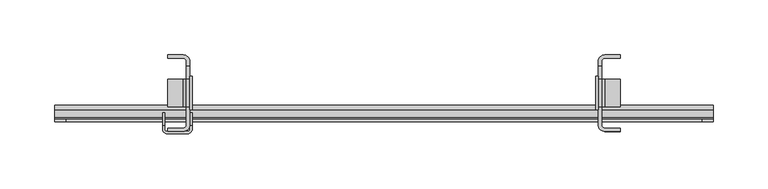
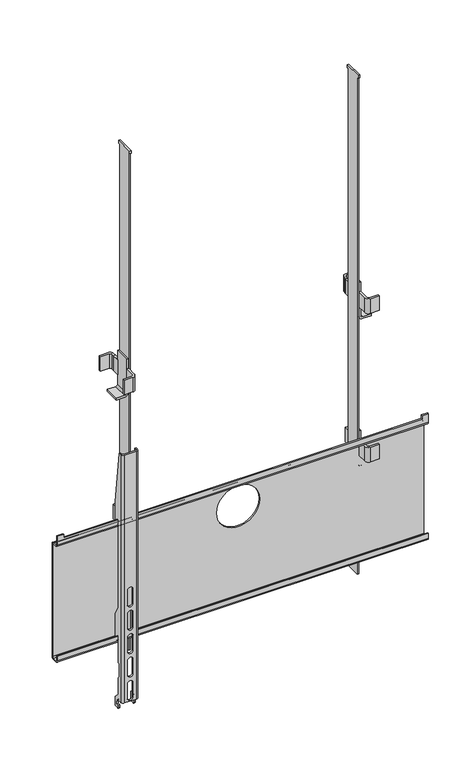
"""IFC4 building model written with IfcOpenShell, lengths in millimetres: furniture geometry."""

from ifc_helpers import new_model, si_unit, point, frame, frame_2d, origin, place, context, project, spatial, polyline, circle_curve, trimmed, segment, composite_curve, outline, extrude, source, transform, mapped, element, save
from ifc_brep_helpers import plane_surface, cylinder_surface, revolved_surface, advanced_brep


def furniture_ed0fb9b7(model_context):
    return source(origin(), model_context, "Body", "SolidModel", [
        advanced_brep(
        [(-188.4240729, -32.963622, 1415.6279085), (-190.424078, -34.9636271, 1415.6279085), (-209.4240856, -34.9636271, 1415.6279085), (-211.4240862, -32.9636266, 1415.6279085), (-211.4240862, -29.9636247, 1415.6279085), (-213.4240731, -29.9636247, 1415.6279085), (-213.4240731, -32.9636266, 1415.6279085), (-209.424072, -36.9636277, 1415.6279085), (-190.424078, -36.9636277, 1415.6279085), (-186.424086, -32.9636356, 1415.6279085), (-186.424086, -29.9636247, 1415.6279085), (-188.4240729, -29.9636247, 1415.6279085), (-213.4240731, -17.9636269, 977.3279177), (-211.4240862, -17.9636269, 977.3279177), (-211.4240862, -24.9636266, 977.3279177), (-213.4240731, -24.9636266, 977.3279177), (-188.4240729, -17.9636269, 977.3279177), (-186.424086, -17.9636269, 977.3279177), (-186.424086, -24.9636266, 977.3279177), (-188.4240729, -24.9636266, 977.3279177), (-186.424086, -32.9636356, 991.8279774), (-186.424086, -26.9636726, 991.8279774), (-186.424086, -22.963626, 987.8279308), (-186.424086, -22.963626, 983.3279148), (-186.424086, -26.9636272, 983.3279148), (-186.424086, -26.9636272, 979.3279182), (-186.424086, -17.9636269, 993.2278975), (-186.424086, -26.4636259, 1001.7278977), (-186.424086, -26.4636259, 1029.7697004), (-186.424086, -29.4636267, 1033.1510365), (-186.424086, -29.4636267, 1055.2279593), (-186.424086, -26.4636259, 1055.2279593), (-186.424086, -26.4636259, 1101.7279552), (-186.424086, -23.4636273, 1101.7279552), (-186.424086, -23.4636273, 1093.4779501), (-186.424086, -17.9636269, 1093.4779501), (-186.424086, -17.9636269, 1135.0055308), (-186.424086, -26.4636259, 1149.7279041), (-186.424086, -26.4636259, 1299.7278608), (-186.424086, -23.4636273, 1299.7278608), (-186.424086, -23.4636273, 1291.4779284), (-186.424086, -17.9636269, 1291.4779284), (-186.424086, -17.9636269, 1325.6279783), (-188.4240729, -17.9636269, 993.2278975), (-188.4240729, -17.9636269, 1093.4779501), (-188.4240729, -17.9636269, 1135.0055308), (-188.4240729, -17.9636269, 1291.4779284), (-188.4240729, -17.9636269, 1325.6279783), (-188.4240729, -23.4636273, 1291.4779284), (-188.4240729, -23.4636273, 1299.7278608), (-188.4240729, -26.4636259, 1299.7278608), (-188.4240729, -26.4636259, 1149.7279041), (-188.4240729, -23.4636273, 1093.4779501), (-188.4240729, -23.4636273, 1101.7279552), (-188.4240729, -26.4636259, 1101.7279552), (-188.4240729, -26.4636259, 1055.2279593), (-188.4240729, -29.4636267, 1055.2279593), (-188.4240729, -29.4636267, 1033.1510365), (-188.4240729, -26.4636259, 1029.7697004), (-188.4240729, -26.4636259, 1001.7278977), (-188.4240729, -26.9636272, 979.3279182), (-188.4240729, -26.9636272, 983.3279148), (-188.4240729, -22.963626, 983.3279148), (-188.4240729, -22.963626, 987.8279308), (-188.4240729, -26.9636726, 991.8279774), (-188.4240729, -32.963622, 991.8279774), (-190.424078, -34.9636271, 991.8279774), (-209.4240856, -34.9636271, 991.8279774), (-195.6740846, -34.9636271, 1157.4278984), (-195.6740846, -34.9636271, 1182.2279108), (-204.1740745, -34.9636271, 1182.2279108), (-204.1740745, -34.9636271, 1157.4278984), (-195.6740846, -34.9636271, 1117.4279417), (-195.6740846, -34.9636271, 1142.2279541), (-204.1740745, -34.9636271, 1142.2279541), (-204.1740745, -34.9636271, 1117.4279417), (-195.6740846, -34.9636271, 1077.4279123), (-195.6740846, -34.9636271, 1102.2279247), (-204.1740745, -34.9636271, 1102.2279247), (-204.1740745, -34.9636271, 1077.4279123), (-195.6740846, -34.9636271, 1037.427883), (-195.6740846, -34.9636271, 1062.2278954), (-204.1740745, -34.9636271, 1062.2278954), (-204.1740745, -34.9636271, 1037.427883), (-195.6740846, -34.9636271, 997.4279263), (-195.6740846, -34.9636271, 1022.2279387), (-204.1740745, -34.9636271, 1022.2279387), (-204.1740745, -34.9636271, 997.4279263), (-211.4240862, -32.9636266, 991.8279774), (-211.4240862, -26.9636726, 991.8279774), (-211.4240862, -22.963626, 987.8279308), (-211.4240862, -22.963626, 983.3279148), (-211.4240862, -26.9636272, 983.3279148), (-211.4240862, -26.9636272, 979.3279182), (-211.4240862, -17.9636269, 993.2278975), (-211.4240862, -26.4636259, 1001.7278977), (-211.4240862, -26.4636259, 1029.7697004), (-211.4240862, -29.4636267, 1033.1510365), (-211.4240862, -29.4636267, 1055.2279593), (-211.4240862, -26.4636259, 1055.2279593), (-211.4240862, -26.4636259, 1101.7279552), (-211.4240862, -23.4636273, 1101.7279552), (-211.4240862, -23.4636273, 1093.4779501), (-211.4240862, -17.9636269, 1093.4779501), (-211.4240862, -17.9636269, 1135.0055308), (-211.4240862, -26.4636259, 1149.7279041), (-211.4240862, -26.4636259, 1299.7278608), (-211.4240862, -23.4636273, 1299.7278608), (-211.4240862, -23.4636273, 1291.4779284), (-211.4240862, -17.9636269, 1291.4779284), (-211.4240862, -17.9636269, 1325.6279783), (-213.4240731, -17.9636269, 993.2278975), (-213.4240731, -17.9636269, 1093.4779501), (-213.4240731, -17.9636269, 1135.0055308), (-213.4240731, -17.9636269, 1291.4779284), (-213.4240731, -17.9636269, 1325.6279783), (-213.4240731, -23.4636273, 1291.4779284), (-213.4240731, -23.4636273, 1299.7278608), (-213.4240731, -26.4636259, 1299.7278608), (-213.4240731, -26.4636259, 1149.7279041), (-213.4240731, -23.4636273, 1093.4779501), (-213.4240731, -23.4636273, 1101.7279552), (-213.4240731, -26.4636259, 1101.7279552), (-213.4240731, -26.4636259, 1055.2279593), (-213.4240731, -29.4636267, 1055.2279593), (-213.4240731, -29.4636267, 1033.1510365), (-213.4240731, -26.4636259, 1029.7697004), (-213.4240731, -26.4636259, 1001.7278977), (-213.4240731, -26.9636272, 979.3279182), (-213.4240731, -26.9636272, 983.3279148), (-213.4240731, -22.963626, 983.3279148), (-213.4240731, -22.963626, 987.8279308), (-213.4240731, -26.9636726, 991.8279774), (-213.4240731, -32.9636266, 991.8279774), (-209.424072, -36.9636277, 991.8279774), (-190.424078, -36.9636277, 991.8279774), (-195.6740846, -36.9636277, 1182.2279108), (-195.6740846, -36.9636277, 1157.4278984), (-204.1740745, -36.9636277, 1157.4278984), (-204.1740745, -36.9636277, 1182.2279108), (-195.6740846, -36.9636277, 1142.2279541), (-195.6740846, -36.9636277, 1117.4279417), (-204.1740745, -36.9636277, 1117.4279417), (-204.1740745, -36.9636277, 1142.2279541), (-195.6740846, -36.9636277, 1102.2279247), (-195.6740846, -36.9636277, 1077.4279123), (-204.1740745, -36.9636277, 1077.4279123), (-204.1740745, -36.9636277, 1102.2279247), (-195.6740846, -36.9636277, 1062.2278954), (-195.6740846, -36.9636277, 1037.427883), (-204.1740745, -36.9636277, 1037.427883), (-204.1740745, -36.9636277, 1062.2278954), (-195.6740846, -36.9636277, 1022.2279387), (-195.6740846, -36.9636277, 997.4279263), (-204.1740745, -36.9636277, 997.4279263), (-204.1740745, -36.9636277, 1022.2279387)],
        [
            (0, 1, circle_curve(frame((-190.424078, -32.963622, 1415.6279085), z_axis=(0.0, 0.0, -1.0), x_axis=(1.0, 0.0, 0.0)), 2.0000051)),
            (1, 2),
            (2, 3, circle_curve(frame((-209.4240856, -32.9636266, 1415.6279085), z_axis=(0.0, 0.0, -1.0), x_axis=(1.0, 0.0, 0.0)), 2.0000006)),
            (3, 4),
            (4, 5),
            (5, 6),
            (6, 7, circle_curve(frame((-209.424072, -32.9636266, 1415.6279085), z_axis=(0.0, 0.0, 1.0), x_axis=(1.0, 0.0, 0.0)), 4.0000011)),
            (7, 8),
            (8, 9, circle_curve(frame((-190.424078, -32.9636356, 1415.6279085), z_axis=(0.0, 0.0, 1.0), x_axis=(1.0, 0.0, 0.0)), 3.999992)),
            (9, 10),
            (10, 11),
            (11, 0),
            (12, 13),
            (13, 14),
            (14, 15),
            (15, 12),
            (16, 17),
            (17, 18),
            (18, 19),
            (19, 16),
            (9, 20),
            (20, 21),
            (21, 22, circle_curve(frame((-186.424086, -26.9636726, 987.8279308), z_axis=(-1.0, 0.0, 0.0), x_axis=(0.0, -1.0, 0.0)), 4.0000465)),
            (22, 23),
            (23, 24),
            (24, 25),
            (25, 18, circle_curve(frame((-186.424086, -24.9636266, 979.3279182), z_axis=(1.0, 0.0, 0.0), x_axis=(0.0, -1.0, 0.0)), 2.0000006)),
            (17, 26),
            (26, 27),
            (27, 28),
            (28, 29),
            (29, 30),
            (30, 31),
            (31, 32),
            (32, 33),
            (33, 34),
            (34, 35, circle_curve(frame((-186.424086, -20.7136271, 1093.4779501), z_axis=(1.0, 0.0, 0.0), x_axis=(0.0, -1.0, 0.0)), 2.7500002)),
            (35, 36),
            (36, 37),
            (37, 38),
            (38, 39),
            (39, 40),
            (40, 41, circle_curve(frame((-186.424086, -20.7136271, 1291.4779284), z_axis=(1.0, 0.0, 0.0), x_axis=(0.0, -1.0, 0.0)), 2.7500002)),
            (41, 42),
            (42, 10),
            (16, 43),
            (43, 26),
            (35, 44),
            (44, 45),
            (45, 36),
            (41, 46),
            (46, 47),
            (47, 42),
            (11, 47),
            (46, 48, circle_curve(frame((-188.4240729, -20.7136271, 1291.4779284), z_axis=(-1.0, 0.0, 0.0), x_axis=(0.0, -1.0, 0.0)), 2.7500002)),
            (48, 49),
            (49, 50),
            (50, 51),
            (51, 45),
            (44, 52, circle_curve(frame((-188.4240729, -20.7136271, 1093.4779501), z_axis=(-1.0, 0.0, 0.0), x_axis=(0.0, -1.0, 0.0)), 2.7500002)),
            (52, 53),
            (53, 54),
            (54, 55),
            (55, 56),
            (56, 57),
            (57, 58),
            (58, 59),
            (59, 43),
            (19, 60, circle_curve(frame((-188.4240729, -24.9636266, 979.3279182), z_axis=(-1.0, 0.0, 0.0), x_axis=(0.0, -1.0, 0.0)), 2.0000006)),
            (60, 61),
            (61, 62),
            (62, 63),
            (63, 64, circle_curve(frame((-188.4240729, -26.9636726, 987.8279308), z_axis=(1.0, 0.0, 0.0), x_axis=(0.0, -1.0, 0.0)), 4.0000465)),
            (64, 65),
            (65, 0),
            (65, 66, circle_curve(frame((-190.424078, -32.963622, 991.8279774), z_axis=(0.0, 0.0, -1.0), x_axis=(1.0, 0.0, 0.0)), 2.0000051)),
            (66, 1),
            (66, 67),
            (67, 2),
            (68, 69),
            (69, 70, circle_curve(frame((-199.9240796, -34.9636271, 1182.2279108), z_axis=(0.0, -1.0, 0.0), x_axis=(1.0, 0.0, 0.0)), 4.2499949)),
            (70, 71),
            (71, 68, circle_curve(frame((-199.9240796, -34.9636271, 1157.4278984), z_axis=(0.0, -1.0, 0.0), x_axis=(1.0, 0.0, 0.0)), 4.2499949)),
            (72, 73),
            (73, 74, circle_curve(frame((-199.9240796, -34.9636271, 1142.2279541), z_axis=(0.0, -1.0, 0.0), x_axis=(1.0, 0.0, 0.0)), 4.2499949)),
            (74, 75),
            (75, 72, circle_curve(frame((-199.9240796, -34.9636271, 1117.4279417), z_axis=(0.0, -1.0, 0.0), x_axis=(1.0, 0.0, 0.0)), 4.2499949)),
            (76, 77),
            (77, 78, circle_curve(frame((-199.9240796, -34.9636271, 1102.2279247), z_axis=(0.0, -1.0, 0.0), x_axis=(1.0, 0.0, 0.0)), 4.2499949)),
            (78, 79),
            (79, 76, circle_curve(frame((-199.9240796, -34.9636271, 1077.4279123), z_axis=(0.0, -1.0, 0.0), x_axis=(1.0, 0.0, 0.0)), 4.2499949)),
            (80, 81),
            (81, 82, circle_curve(frame((-199.9240796, -34.9636271, 1062.2278954), z_axis=(0.0, -1.0, 0.0), x_axis=(1.0, 0.0, 0.0)), 4.2499949)),
            (82, 83),
            (83, 80, circle_curve(frame((-199.9240796, -34.9636271, 1037.427883), z_axis=(0.0, -1.0, 0.0), x_axis=(1.0, 0.0, 0.0)), 4.2499949)),
            (84, 85),
            (85, 86, circle_curve(frame((-199.9240796, -34.9636271, 1022.2279387), z_axis=(0.0, -1.0, 0.0), x_axis=(1.0, 0.0, 0.0)), 4.2499949)),
            (86, 87),
            (87, 84, circle_curve(frame((-199.9240796, -34.9636271, 997.4279263), z_axis=(0.0, -1.0, 0.0), x_axis=(1.0, 0.0, 0.0)), 4.2499949)),
            (67, 88, circle_curve(frame((-209.4240856, -32.9636266, 991.8279774), z_axis=(0.0, 0.0, -1.0), x_axis=(1.0, 0.0, 0.0)), 2.0000006)),
            (88, 3),
            (88, 89),
            (89, 90, circle_curve(frame((-211.4240862, -26.9636726, 987.8279308), z_axis=(-1.0, 0.0, 0.0), x_axis=(0.0, -1.0, 0.0)), 4.0000465)),
            (90, 91),
            (91, 92),
            (92, 93),
            (93, 14, circle_curve(frame((-211.4240862, -24.9636266, 979.3279182), z_axis=(1.0, 0.0, 0.0), x_axis=(0.0, -1.0, 0.0)), 2.0000006)),
            (13, 94),
            (94, 95),
            (95, 96),
            (96, 97),
            (97, 98),
            (98, 99),
            (99, 100),
            (100, 101),
            (101, 102),
            (102, 103, circle_curve(frame((-211.4240862, -20.7136271, 1093.4779501), z_axis=(1.0, 0.0, 0.0), x_axis=(0.0, -1.0, 0.0)), 2.7500002)),
            (103, 104),
            (104, 105),
            (105, 106),
            (106, 107),
            (107, 108),
            (108, 109, circle_curve(frame((-211.4240862, -20.7136271, 1291.4779284), z_axis=(1.0, 0.0, 0.0), x_axis=(0.0, -1.0, 0.0)), 2.7500002)),
            (109, 110),
            (110, 4),
            (12, 111),
            (111, 94),
            (103, 112),
            (112, 113),
            (113, 104),
            (109, 114),
            (114, 115),
            (115, 110),
            (5, 115),
            (114, 116, circle_curve(frame((-213.4240731, -20.7136271, 1291.4779284), z_axis=(-1.0, 0.0, 0.0), x_axis=(0.0, -1.0, 0.0)), 2.7500002)),
            (116, 117),
            (117, 118),
            (118, 119),
            (119, 113),
            (112, 120, circle_curve(frame((-213.4240731, -20.7136271, 1093.4779501), z_axis=(-1.0, 0.0, 0.0), x_axis=(0.0, -1.0, 0.0)), 2.7500002)),
            (120, 121),
            (121, 122),
            (122, 123),
            (123, 124),
            (124, 125),
            (125, 126),
            (126, 127),
            (127, 111),
            (15, 128, circle_curve(frame((-213.4240731, -24.9636266, 979.3279182), z_axis=(-1.0, 0.0, 0.0), x_axis=(0.0, -1.0, 0.0)), 2.0000006)),
            (128, 129),
            (129, 130),
            (130, 131),
            (131, 132, circle_curve(frame((-213.4240731, -26.9636726, 987.8279308), z_axis=(1.0, 0.0, 0.0), x_axis=(0.0, -1.0, 0.0)), 4.0000465)),
            (132, 133),
            (133, 6),
            (133, 134, circle_curve(frame((-209.424072, -32.9636266, 991.8279774), z_axis=(0.0, 0.0, 1.0), x_axis=(1.0, 0.0, 0.0)), 4.0000011)),
            (134, 7),
            (134, 135),
            (135, 8),
            (136, 137),
            (137, 138, circle_curve(frame((-199.9240796, -36.9636277, 1157.4278984), z_axis=(0.0, 1.0, 0.0), x_axis=(1.0, 0.0, 0.0)), 4.2499949)),
            (138, 139),
            (139, 136, circle_curve(frame((-199.9240796, -36.9636277, 1182.2279108), z_axis=(0.0, 1.0, 0.0), x_axis=(1.0, 0.0, 0.0)), 4.2499949)),
            (140, 141),
            (141, 142, circle_curve(frame((-199.9240796, -36.9636277, 1117.4279417), z_axis=(0.0, 1.0, 0.0), x_axis=(1.0, 0.0, 0.0)), 4.2499949)),
            (142, 143),
            (143, 140, circle_curve(frame((-199.9240796, -36.9636277, 1142.2279541), z_axis=(0.0, 1.0, 0.0), x_axis=(1.0, 0.0, 0.0)), 4.2499949)),
            (144, 145),
            (145, 146, circle_curve(frame((-199.9240796, -36.9636277, 1077.4279123), z_axis=(0.0, 1.0, 0.0), x_axis=(1.0, 0.0, 0.0)), 4.2499949)),
            (146, 147),
            (147, 144, circle_curve(frame((-199.9240796, -36.9636277, 1102.2279247), z_axis=(0.0, 1.0, 0.0), x_axis=(1.0, 0.0, 0.0)), 4.2499949)),
            (148, 149),
            (149, 150, circle_curve(frame((-199.9240796, -36.9636277, 1037.427883), z_axis=(0.0, 1.0, 0.0), x_axis=(1.0, 0.0, 0.0)), 4.2499949)),
            (150, 151),
            (151, 148, circle_curve(frame((-199.9240796, -36.9636277, 1062.2278954), z_axis=(0.0, 1.0, 0.0), x_axis=(1.0, 0.0, 0.0)), 4.2499949)),
            (152, 153),
            (153, 154, circle_curve(frame((-199.9240796, -36.9636277, 997.4279263), z_axis=(0.0, 1.0, 0.0), x_axis=(1.0, 0.0, 0.0)), 4.2499949)),
            (154, 155),
            (155, 152, circle_curve(frame((-199.9240796, -36.9636277, 1022.2279387), z_axis=(0.0, 1.0, 0.0), x_axis=(1.0, 0.0, 0.0)), 4.2499949)),
            (135, 20, circle_curve(frame((-190.424078, -32.9636356, 991.8279774), z_axis=(0.0, 0.0, 1.0), x_axis=(1.0, 0.0, 0.0)), 3.999992)),
            (50, 38),
            (37, 51),
            (118, 106),
            (105, 119),
            (40, 48),
            (108, 116),
            (39, 49),
            (107, 117),
            (54, 32),
            (31, 55),
            (122, 100),
            (99, 123),
            (30, 56),
            (98, 124),
            (29, 57),
            (97, 125),
            (28, 58),
            (96, 126),
            (27, 59),
            (95, 127),
            (34, 52),
            (102, 120),
            (33, 53),
            (101, 121),
            (64, 21),
            (132, 89),
            (25, 60),
            (93, 128),
            (24, 61),
            (92, 129),
            (23, 62),
            (91, 130),
            (22, 63),
            (90, 131),
            (68, 137),
            (136, 69),
            (139, 70),
            (138, 71),
            (72, 141),
            (140, 73),
            (143, 74),
            (142, 75),
            (76, 145),
            (144, 77),
            (147, 78),
            (146, 79),
            (80, 149),
            (148, 81),
            (151, 82),
            (150, 83),
            (84, 153),
            (152, 85),
            (155, 86),
            (154, 87),
        ],
        [
            plane_surface(frame((-186.424086, -18.1390681, 1415.6279085), z_axis=(0.0, 0.0, 1.0), x_axis=(0.0, 1.0, 0.0))),
            plane_surface(frame((-186.424086, -18.1390681, 977.3279177), z_axis=(0.0, 0.0, -1.0), x_axis=(0.0, -1.0, 0.0))),
            plane_surface(frame((-186.424086, -32.9636356, 1415.6279085), z_axis=(1.0, 0.0, 0.0), x_axis=(0.0, 0.0, -1.0))),
            plane_surface(frame((-186.424086, -17.9636269, 1415.6279085), z_axis=(0.0, 1.0, 0.0), x_axis=(0.0, 0.0, -1.0))),
            plane_surface(frame((-188.4240729, -17.9636269, 1415.6279085), z_axis=(-1.0, 0.0, 0.0), x_axis=(0.0, 0.0, -1.0))),
            revolved_surface(polyline([(-188.4240729, -32.963622, 991.8279774), (-188.4240729, -32.963622, 1415.6279085)]), (-190.424078, -32.963622, 977.3279177), (0.0, 0.0, -1.0)),
            plane_surface(frame((-190.424078, -34.9636271, 1415.6279085), z_axis=(0.0, 1.0, 0.0), x_axis=(0.0, 0.0, -1.0))),
            revolved_surface(polyline([(-207.42408500000002, -32.9636266, 991.8279774), (-207.42408500000002, -32.9636266, 1415.6279085)]), (-209.4240856, -32.9636266, 977.3279177), (0.0, 0.0, -1.0)),
            plane_surface(frame((-211.4240862, -32.9636266, 1415.6279085), z_axis=(1.0, 0.0, 0.0), x_axis=(0.0, 0.0, -1.0))),
            plane_surface(frame((-211.4240862, -17.9636269, 1415.6279085), z_axis=(0.0, 1.0, 0.0), x_axis=(0.0, 0.0, -1.0))),
            plane_surface(frame((-213.4240731, -17.9636269, 1415.6279085), z_axis=(-1.0, 0.0, 0.0), x_axis=(0.0, 0.0, -1.0))),
            cylinder_surface(frame((-209.424072, -32.9636266, 977.3279177), z_axis=(0.0, 0.0, 1.0), x_axis=(1.0, 0.0, 0.0)), 4.0000011),
            plane_surface(frame((-209.424072, -36.9636277, 1415.6279085), z_axis=(0.0, -1.0, 0.0), x_axis=(0.0, 0.0, -1.0))),
            cylinder_surface(frame((-190.424078, -32.9636356, 977.3279177), z_axis=(0.0, 0.0, 1.0), x_axis=(1.0, 0.0, 0.0)), 3.999992),
            plane_surface(frame((226.6458366, -29.9636247, 1415.6279085), z_axis=(0.0, 0.9912278903845622, 0.13216379732653882), x_axis=(-1.0, 0.0, 0.0))),
            plane_surface(frame((226.6458366, -26.4636259, 1299.7278608), z_axis=(0.0, 1.0, 0.0), x_axis=(-1.0, 0.0, 0.0))),
            plane_surface(frame((226.6458366, -26.4636259, 1149.7279041), z_axis=(0.0, 0.8660245695453659, 0.5000014449416761), x_axis=(-1.0, 0.0, 0.0))),
            cylinder_surface(frame((0.0, -20.7136271, 1291.4779284), z_axis=(-1.0, 0.0, 0.0), x_axis=(0.0, -1.0, 0.0)), 2.7500002),
            plane_surface(frame((226.6458366, -23.4636273, 1291.4779284), z_axis=(0.0, -1.0, 0.0), x_axis=(-1.0, 0.0, 0.0))),
            plane_surface(frame((226.6458366, -23.4636273, 1299.7278608), z_axis=(0.0, 0.0, -1.0), x_axis=(-1.0, 0.0, 0.0))),
            plane_surface(frame((226.6458366, -26.4636259, 1101.7279552), z_axis=(0.0, 1.0, 0.0), x_axis=(-1.0, 0.0, 0.0))),
            plane_surface(frame((226.6458366, -26.4636259, 1055.2279593), z_axis=(0.0, 0.0, -1.0), x_axis=(-1.0, 0.0, 0.0))),
            plane_surface(frame((226.6458366, -29.4636267, 1055.2279593), z_axis=(0.0, 1.0, 0.0), x_axis=(-1.0, 0.0, 0.0))),
            plane_surface(frame((226.6458366, -29.4636267, 1033.1510365), z_axis=(0.0, 0.7480275709207617, 0.6636676526262109), x_axis=(-1.0, 0.0, 0.0))),
            plane_surface(frame((226.6458366, -26.4636259, 1029.7697004), z_axis=(0.0, 1.0, 0.0), x_axis=(-1.0, 0.0, 0.0))),
            plane_surface(frame((226.6458366, -26.4636259, 1001.7278977), z_axis=(0.0, 0.7071068328679035, 0.7071067295051878), x_axis=(-1.0, 0.0, 0.0))),
            cylinder_surface(frame((0.0, -20.7136271, 1093.4779501), z_axis=(-1.0, 0.0, 0.0), x_axis=(0.0, -1.0, 0.0)), 2.7500002),
            plane_surface(frame((226.6458366, -23.4636273, 1093.4779501), z_axis=(0.0, -1.0, 0.0), x_axis=(-1.0, 0.0, 0.0))),
            plane_surface(frame((226.6458366, -23.4636273, 1101.7279552), z_axis=(0.0, 0.0, -1.0), x_axis=(-1.0, 0.0, 0.0))),
            plane_surface(frame((226.6458366, -26.9636726, 991.8279774), z_axis=(0.0, 0.0, -1.0), x_axis=(-1.0, 0.0, 0.0))),
            cylinder_surface(frame((0.0, -24.9636266, 979.3279182), z_axis=(-1.0, 0.0, 0.0), x_axis=(0.0, -1.0, 0.0)), 2.0000006),
            plane_surface(frame((226.6458366, -26.9636272, 979.3279182), z_axis=(0.0, -1.0, 0.0), x_axis=(-1.0, 0.0, 0.0))),
            plane_surface(frame((226.6458366, -26.9636272, 983.3279148), z_axis=(0.0, 0.0, 1.0), x_axis=(-1.0, 0.0, 0.0))),
            plane_surface(frame((226.6458366, -22.963626, 983.3279148), z_axis=(0.0, -1.0, 0.0), x_axis=(-1.0, 0.0, 0.0))),
            revolved_surface(polyline([(-186.424086, -30.9637191, 987.8279308), (-188.4240729, -30.9637191, 987.8279308)]), (0.0, -26.9636726, 987.8279308), (1.0, 0.0, 0.0)),
            revolved_surface(polyline([(-211.4240862, -30.9637191, 987.8279308), (-213.4240731, -30.9637191, 987.8279308)]), (0.0, -26.9636726, 987.8279308), (1.0, 0.0, 0.0)),
            plane_surface(frame((-195.6740846, -43.4479611, 1157.4278984), z_axis=(-1.0, 0.0, 0.0), x_axis=(0.0, 1.0, 0.0))),
            revolved_surface(polyline([(-195.6740847, -36.9636277, 1182.2279108), (-195.6740847, -34.9636271, 1182.2279108)]), (-199.9240796, -32.0423365, 1182.2279108), (0.0, -1.0, 0.0)),
            plane_surface(frame((-204.1740745, -43.4479611, 1182.2279108), z_axis=(1.0, 0.0, 0.0), x_axis=(0.0, 1.0, 0.0))),
            revolved_surface(polyline([(-195.6740847, -36.9636277, 1157.4278984), (-195.6740847, -34.9636271, 1157.4278984)]), (-199.9240796, -32.0423365, 1157.4278984), (0.0, -1.0, 0.0)),
            plane_surface(frame((-195.6740846, -43.4479611, 1117.4279417), z_axis=(-1.0, 0.0, 0.0), x_axis=(0.0, 1.0, 0.0))),
            revolved_surface(polyline([(-195.6740847, -36.9636277, 1142.2279541), (-195.6740847, -34.9636271, 1142.2279541)]), (-199.9240796, 0.0, 1142.2279541), (0.0, -1.0, 0.0)),
            plane_surface(frame((-204.1740745, -43.4479611, 1142.2279541), z_axis=(1.0, 0.0, 0.0), x_axis=(0.0, 1.0, 0.0))),
            revolved_surface(polyline([(-195.6740847, -36.9636277, 1117.4279417), (-195.6740847, -34.9636271, 1117.4279417)]), (-199.9240796, 0.0, 1117.4279417), (0.0, -1.0, 0.0)),
            plane_surface(frame((-195.6740846, -43.4479611, 1077.4279123), z_axis=(-1.0, 0.0, 0.0), x_axis=(0.0, 1.0, 0.0))),
            revolved_surface(polyline([(-195.6740847, -36.9636277, 1102.2279247), (-195.6740847, -34.9636271, 1102.2279247)]), (-199.9240796, 0.0, 1102.2279247), (0.0, -1.0, 0.0)),
            plane_surface(frame((-204.1740745, -43.4479611, 1102.2279247), z_axis=(1.0, 0.0, 0.0), x_axis=(0.0, 1.0, 0.0))),
            revolved_surface(polyline([(-195.6740847, -36.9636277, 1077.4279123), (-195.6740847, -34.9636271, 1077.4279123)]), (-199.9240796, 0.0, 1077.4279123), (0.0, -1.0, 0.0)),
            plane_surface(frame((-195.6740846, -43.4479611, 1037.427883), z_axis=(-1.0, 0.0, 0.0), x_axis=(0.0, 1.0, 0.0))),
            revolved_surface(polyline([(-195.6740847, -36.9636277, 1062.2278954), (-195.6740847, -34.9636271, 1062.2278954)]), (-199.9240796, 0.0, 1062.2278954), (0.0, -1.0, 0.0)),
            plane_surface(frame((-204.1740745, -43.4479611, 1062.2278954), z_axis=(1.0, 0.0, 0.0), x_axis=(0.0, 1.0, 0.0))),
            revolved_surface(polyline([(-195.6740847, -36.9636277, 1037.427883), (-195.6740847, -34.9636271, 1037.427883)]), (-199.9240796, 0.0, 1037.427883), (0.0, -1.0, 0.0)),
            plane_surface(frame((-195.6740846, -43.4479611, 997.4279263), z_axis=(-1.0, 0.0, 0.0), x_axis=(0.0, 1.0, 0.0))),
            revolved_surface(polyline([(-195.6740847, -36.9636277, 1022.2279387), (-195.6740847, -34.9636271, 1022.2279387)]), (-199.9240796, 0.0, 1022.2279387), (0.0, -1.0, 0.0)),
            plane_surface(frame((-204.1740745, -43.4479611, 1022.2279387), z_axis=(1.0, 0.0, 0.0), x_axis=(0.0, 1.0, 0.0))),
            revolved_surface(polyline([(-195.6740847, -36.9636277, 997.4279263), (-195.6740847, -34.9636271, 997.4279263)]), (-199.9240796, 0.0, 997.4279263), (0.0, -1.0, 0.0)),
        ],
        [
            (0, [[1, 2, 3, 4, 5, 6, 7, 8, 9, 10, 11, 12]]),
            (1, [[13, 14, 15, 16]]),
            (1, [[17, 18, 19, 20]]),
            (2, [[-10, 21, 22, 23, 24, 25, 26, 27, -18, 28, 29, 30, 31, 32, 33, 34, 35, 36, 37, 38, 39, 40, 41, 42, 43, 44, 45]]),
            (3, [[-17, 46, 47, -28]]),
            (3, [[-38, 48, 49, 50]]),
            (3, [[-44, 51, 52, 53]]),
            (4, [[-12, 54, -52, 55, 56, 57, 58, 59, -49, 60, 61, 62, 63, 64, 65, 66, 67, 68, -46, -20, 69, 70, 71, 72, 73, 74, 75]]),
            (5, [[-1, -75, 76, 77]]),
            (6, [[-2, -77, 78, 79], [80, 81, 82, 83], [84, 85, 86, 87], [88, 89, 90, 91], [92, 93, 94, 95], [96, 97, 98, 99]]),
            (7, [[-3, -79, 100, 101]]),
            (8, [[-4, -101, 102, 103, 104, 105, 106, 107, -14, 108, 109, 110, 111, 112, 113, 114, 115, 116, 117, 118, 119, 120, 121, 122, 123, 124, 125]]),
            (9, [[-13, 126, 127, -108]]),
            (9, [[-118, 128, 129, 130]]),
            (9, [[-124, 131, 132, 133]]),
            (10, [[-6, 134, -132, 135, 136, 137, 138, 139, -129, 140, 141, 142, 143, 144, 145, 146, 147, 148, -126, -16, 149, 150, 151, 152, 153, 154, 155]]),
            (11, [[-7, -155, 156, 157]]),
            (12, [[-8, -157, 158, 159], [160, 161, 162, 163], [164, 165, 166, 167], [168, 169, 170, 171], [172, 173, 174, 175], [176, 177, 178, 179]]),
            (13, [[-9, -159, 180, -21]]),
            (14, [[-5, -125, -133, -134]]),
            (14, [[-11, -45, -53, -54]]),
            (15, [[181, -40, 182, -58]]),
            (15, [[183, -120, 184, -138]]),
            (16, [[-182, -39, -50, -59]]),
            (16, [[-184, -119, -130, -139]]),
            (17, [[185, -55, -51, -43]]),
            (17, [[186, -135, -131, -123]]),
            (18, [[-185, -42, 187, -56]]),
            (18, [[-186, -122, 188, -136]]),
            (19, [[-181, -57, -187, -41]]),
            (19, [[-183, -137, -188, -121]]),
            (20, [[189, -34, 190, -63]]),
            (20, [[191, -114, 192, -143]]),
            (21, [[-190, -33, 193, -64]]),
            (21, [[-192, -113, 194, -144]]),
            (22, [[-193, -32, 195, -65]]),
            (22, [[-194, -112, 196, -145]]),
            (23, [[-195, -31, 197, -66]]),
            (23, [[-196, -111, 198, -146]]),
            (24, [[-197, -30, 199, -67]]),
            (24, [[-198, -110, 200, -147]]),
            (25, [[-199, -29, -47, -68]]),
            (25, [[-200, -109, -127, -148]]),
            (26, [[201, -60, -48, -37]]),
            (26, [[202, -140, -128, -117]]),
            (27, [[-201, -36, 203, -61]]),
            (27, [[-202, -116, 204, -141]]),
            (28, [[-189, -62, -203, -35]]),
            (28, [[-191, -142, -204, -115]]),
            (29, [[205, -22, -180, -158, -156, -154, 206, -102, -100, -78, -76, -74]]),
            (30, [[207, -69, -19, -27]]),
            (30, [[208, -149, -15, -107]]),
            (31, [[-207, -26, 209, -70]]),
            (31, [[-208, -106, 210, -150]]),
            (32, [[-209, -25, 211, -71]]),
            (32, [[-210, -105, 212, -151]]),
            (33, [[-211, -24, 213, -72]]),
            (33, [[-212, -104, 214, -152]]),
            (34, [[-205, -73, -213, -23]]),
            (35, [[-206, -153, -214, -103]]),
            (36, [[215, -160, 216, -80]]),
            (37, [[-216, -163, 217, -81]]),
            (38, [[-217, -162, 218, -82]]),
            (39, [[-215, -83, -218, -161]]),
            (40, [[219, -164, 220, -84]]),
            (41, [[-220, -167, 221, -85]]),
            (42, [[-221, -166, 222, -86]]),
            (43, [[-219, -87, -222, -165]]),
            (44, [[223, -168, 224, -88]]),
            (45, [[-224, -171, 225, -89]]),
            (46, [[-225, -170, 226, -90]]),
            (47, [[-223, -91, -226, -169]]),
            (48, [[227, -172, 228, -92]]),
            (49, [[-228, -175, 229, -93]]),
            (50, [[-229, -174, 230, -94]]),
            (51, [[-227, -95, -230, -173]]),
            (52, [[231, -176, 232, -96]]),
            (53, [[-232, -179, 233, -97]]),
            (54, [[-233, -178, 234, -98]]),
            (55, [[-231, -99, -234, -177]]),
        ],
    ),
        advanced_brep(
        [(288.4141906, -25.9636269, 1290.7279287), (288.4141906, -21.9636258, 1286.7279276), (288.4141906, -14.9636499, 1286.7279276), (288.4141906, -12.9636266, 1284.7279043), (288.4141906, -12.9636266, 1092.7279232), (288.4141906, -14.9636499, 1090.7278999), (288.4141906, -21.9636258, 1090.7278999), (288.4141906, -23.9636263, 1092.7279005), (288.4141906, -23.9636263, 1100.7279436), (288.4141906, -25.9636269, 1100.7279436), (288.4141906, -25.9636269, 1092.7279232), (288.4141906, -21.9636258, 1088.7279493), (288.4141906, -14.9436578, 1088.7279493), (288.4141906, -10.9636261, 1092.7279232), (288.4141906, -10.9636261, 1284.7279043), (288.4141906, -14.9636726, 1288.7279509), (288.4141906, -21.9636258, 1288.7279509), (288.4141906, -23.9636263, 1290.7279514), (288.4141906, -23.9636263, 1305.7279306), (288.4141906, -25.9636269, 1305.7279306), (-311.585814, -25.9636269, 1290.7279287), (-311.585814, -25.9636269, 1305.7279306), (-311.585814, -23.9636263, 1305.7279306), (-311.585814, -23.9636263, 1290.7279514), (-311.585814, -21.9636258, 1288.7279509), (-311.585814, -14.9636726, 1288.7279509), (-311.585814, -10.9636261, 1284.7279043), (-311.585814, -10.9636261, 1092.7279232), (-311.585814, -14.9436578, 1088.7279493), (-311.585814, -21.9636258, 1088.7279493), (-311.585814, -25.9635769, 1092.7279005), (-311.585814, -25.9636269, 1100.7279436), (-311.585814, -23.9636263, 1100.7279436), (-311.585814, -23.9636263, 1092.7279005), (-311.585814, -21.9636258, 1090.7278999), (-311.585814, -14.9636499, 1090.7278999), (-311.585814, -12.9636266, 1092.7279232), (-311.585814, -12.9636266, 1284.7279043), (-311.585814, -14.9636499, 1286.7279276), (-311.585814, -21.9636258, 1286.7279276), (23.4141561, -12.9636266, 1244.7278749), (-46.5857863, -12.9636266, 1244.7278749), (-46.5857863, -10.9636261, 1244.7278749), (23.4141561, -10.9636261, 1244.7278749), (-301.5858067, -23.9636263, 1305.7279306), (-301.5858067, -23.9636263, 1299.7278608), (278.4141832, -23.9636263, 1299.7278608), (278.4141832, -23.9636263, 1305.7279306), (278.4141832, -25.9636269, 1305.7279306), (-301.5858067, -25.9636269, 1305.7279306), (278.4141832, -25.9636269, 1299.7278608), (-301.5858067, -25.9636269, 1299.7278608)],
        [
            (0, 1, circle_curve(frame((288.4141906, -21.9636258, 1290.7279287), z_axis=(1.0, 0.0, 0.0), x_axis=(0.0, -1.0, 0.0)), 4.0000011)),
            (1, 2),
            (2, 3, circle_curve(frame((288.4141906, -14.9636499, 1284.7279043), z_axis=(-1.0, 0.0, 0.0), x_axis=(0.0, -1.0, 0.0)), 2.0000233)),
            (3, 4),
            (4, 5, circle_curve(frame((288.4141906, -14.9636499, 1092.7279232), z_axis=(-1.0, 0.0, 0.0), x_axis=(0.0, -1.0, 0.0)), 2.0000233)),
            (5, 6),
            (6, 7, circle_curve(frame((288.4141906, -21.9636258, 1092.7279005), z_axis=(-1.0, 0.0, 0.0), x_axis=(0.0, -1.0, 0.0)), 2.0000006)),
            (7, 8),
            (8, 9),
            (9, 10),
            (10, 11, circle_curve(frame((288.4141906, -21.9636258, 1092.7279005), z_axis=(1.0, 0.0, 0.0), x_axis=(0.0, -1.0, 0.0)), 3.9999512)),
            (11, 12),
            (12, 13, circle_curve(frame((288.4141906, -14.9636499, 1092.7279232), z_axis=(1.0, 0.0, 0.0), x_axis=(0.0, -1.0, 0.0)), 4.0000238)),
            (13, 14),
            (14, 15, circle_curve(frame((288.4141906, -14.9636726, 1284.7279043), z_axis=(1.0, 0.0, 0.0), x_axis=(0.0, -1.0, 0.0)), 4.0000465)),
            (15, 16),
            (16, 17, circle_curve(frame((288.4141906, -21.9636258, 1290.7279514), z_axis=(-1.0, 0.0, 0.0), x_axis=(0.0, -1.0, 0.0)), 2.0000006)),
            (17, 18),
            (18, 19),
            (19, 0),
            (20, 21),
            (21, 22),
            (22, 23),
            (23, 24, circle_curve(frame((-311.585814, -21.9636258, 1290.7279514), z_axis=(1.0, 0.0, 0.0), x_axis=(0.0, -1.0, 0.0)), 2.0000006)),
            (24, 25),
            (25, 26, circle_curve(frame((-311.585814, -14.9636726, 1284.7279043), z_axis=(-1.0, 0.0, 0.0), x_axis=(0.0, -1.0, 0.0)), 4.0000465)),
            (26, 27),
            (27, 28, circle_curve(frame((-311.585814, -14.9636499, 1092.7279232), z_axis=(-1.0, 0.0, 0.0), x_axis=(0.0, -1.0, 0.0)), 4.0000238)),
            (28, 29),
            (29, 30, circle_curve(frame((-311.585814, -21.9636258, 1092.7279005), z_axis=(-1.0, 0.0, 0.0), x_axis=(0.0, -1.0, 0.0)), 3.9999512)),
            (30, 31),
            (31, 32),
            (32, 33),
            (33, 34, circle_curve(frame((-311.585814, -21.9636258, 1092.7279005), z_axis=(1.0, 0.0, 0.0), x_axis=(0.0, -1.0, 0.0)), 2.0000006)),
            (34, 35),
            (35, 36, circle_curve(frame((-311.585814, -14.9636499, 1092.7279232), z_axis=(1.0, 0.0, 0.0), x_axis=(0.0, -1.0, 0.0)), 2.0000233)),
            (36, 37),
            (37, 38, circle_curve(frame((-311.585814, -14.9636499, 1284.7279043), z_axis=(1.0, 0.0, 0.0), x_axis=(0.0, -1.0, 0.0)), 2.0000233)),
            (38, 39),
            (39, 20, circle_curve(frame((-311.585814, -21.9636258, 1290.7279287), z_axis=(-1.0, 0.0, 0.0), x_axis=(0.0, -1.0, 0.0)), 4.0000011)),
            (0, 20),
            (39, 1),
            (38, 2),
            (37, 3),
            (36, 4),
            (40, 41, circle_curve(frame((-11.5858151, -12.9636266, 1244.7278749), z_axis=(0.0, 1.0, 0.0), x_axis=(1.0, 0.0, 0.0)), 34.9999712)),
            (41, 40, circle_curve(frame((-11.5858151, -12.9636266, 1244.7278749), z_axis=(0.0, 1.0, 0.0), x_axis=(1.0, 0.0, 0.0)), 34.9999712)),
            (35, 5),
            (34, 6),
            (33, 7),
            (32, 8),
            (31, 9),
            (30, 10),
            (29, 11),
            (28, 12),
            (27, 13),
            (26, 14),
            (42, 43, circle_curve(frame((-11.5858151, -10.9636261, 1244.7278749), z_axis=(0.0, -1.0, 0.0), x_axis=(1.0, 0.0, 0.0)), 34.9999712)),
            (43, 42, circle_curve(frame((-11.5858151, -10.9636261, 1244.7278749), z_axis=(0.0, -1.0, 0.0), x_axis=(1.0, 0.0, 0.0)), 34.9999712)),
            (25, 15),
            (24, 16),
            (23, 17),
            (22, 44),
            (44, 45),
            (45, 46),
            (46, 47),
            (47, 18),
            (47, 48),
            (48, 19),
            (21, 49),
            (49, 44),
            (48, 50),
            (50, 51),
            (51, 49),
            (42, 41),
            (40, 43),
            (51, 45),
            (50, 46),
        ],
        [
            plane_surface(frame((288.4141906, -25.9636269, 1290.7279287), z_axis=(1.0, 0.0, 0.0), x_axis=(0.0, 0.0, -1.0))),
            plane_surface(frame((-311.585814, -25.9636269, 1290.7279287), z_axis=(-1.0, 0.0, 0.0), x_axis=(0.0, 0.0, 1.0))),
            cylinder_surface(frame((-311.585814, -21.9636258, 1290.7279287), z_axis=(1.0, 0.0, 0.0), x_axis=(0.0, -1.0, 0.0)), 4.0000011),
            plane_surface(frame((288.4141906, -21.9636258, 1286.7279276), z_axis=(0.0, 0.0, -1.0), x_axis=(-1.0, 0.0, 0.0))),
            revolved_surface(polyline([(-311.585814, -16.9636732, 1284.7279043), (288.4141906, -16.9636732, 1284.7279043)]), (-311.585814, -14.9636499, 1284.7279043), (-1.0, 0.0, 0.0)),
            plane_surface(frame((288.4141906, -12.9636266, 1284.7279043), z_axis=(0.0, -1.0, 0.0), x_axis=(-1.0, 0.0, 0.0))),
            revolved_surface(polyline([(-311.585814, -16.9636732, 1092.7279232), (288.4141906, -16.9636732, 1092.7279232)]), (-311.585814, -14.9636499, 1092.7279232), (-1.0, 0.0, 0.0)),
            plane_surface(frame((288.4141906, -14.9636499, 1090.7278999), z_axis=(0.0, 0.0, 1.0), x_axis=(-1.0, 0.0, 0.0))),
            revolved_surface(polyline([(-311.585814, -23.9636264, 1092.7279005), (288.4141906, -23.9636264, 1092.7279005)]), (-311.585814, -21.9636258, 1092.7279005), (-1.0, 0.0, 0.0)),
            plane_surface(frame((288.4141906, -23.9636263, 1092.7279005), z_axis=(0.0, 1.0, 0.0), x_axis=(-1.0, 0.0, 0.0))),
            plane_surface(frame((288.4141906, -23.9636263, 1100.7279436), z_axis=(0.0, 0.0, 1.0), x_axis=(-1.0, 0.0, 0.0))),
            plane_surface(frame((288.4141906, -25.9636269, 1100.7279436), z_axis=(0.0, -1.0, 0.0), x_axis=(-1.0, 0.0, 0.0))),
            cylinder_surface(frame((-311.585814, -21.9636258, 1092.7279005), z_axis=(1.0, 0.0, 0.0), x_axis=(0.0, -1.0, 0.0)), 3.9999512),
            plane_surface(frame((288.4141906, -21.9636258, 1088.7279493), z_axis=(0.0, 0.0, -1.0), x_axis=(-1.0, 0.0, 0.0))),
            cylinder_surface(frame((-311.585814, -14.9636499, 1092.7279232), z_axis=(1.0, 0.0, 0.0), x_axis=(0.0, -1.0, 0.0)), 4.0000238),
            plane_surface(frame((288.4141906, -10.9636261, 1092.7279232), z_axis=(0.0, 1.0, 0.0), x_axis=(-1.0, 0.0, 0.0))),
            cylinder_surface(frame((-311.585814, -14.9636726, 1284.7279043), z_axis=(1.0, 0.0, 0.0), x_axis=(0.0, -1.0, 0.0)), 4.0000465),
            plane_surface(frame((288.4141906, -14.9636726, 1288.7279509), z_axis=(0.0, 0.0, 1.0), x_axis=(-1.0, 0.0, 0.0))),
            revolved_surface(polyline([(-311.585814, -23.9636264, 1290.7279514), (288.4141906, -23.9636264, 1290.7279514)]), (-311.585814, -21.9636258, 1290.7279514), (-1.0, 0.0, 0.0)),
            plane_surface(frame((288.4141906, -23.9636263, 1290.7279514), z_axis=(0.0, 1.0, 0.0), x_axis=(-1.0, 0.0, 0.0))),
            plane_surface(frame((288.4141906, -23.9636263, 1305.7279306), z_axis=(0.0, 0.0, 1.0), x_axis=(-1.0, 0.0, 0.0))),
            plane_surface(frame((288.4141906, -25.9636269, 1305.7279306), z_axis=(0.0, -1.0, 0.0), x_axis=(-1.0, 0.0, 0.0))),
            revolved_surface(polyline([(23.4141561, -12.963626600000001, 1244.7278749), (23.4141561, -10.963626100000003, 1244.7278749)]), (-11.5858151, 19.1363139, 1244.7278749), (0.0, -1.0, 0.0)),
            plane_surface(frame((-301.5858067, -28.110414, 1305.7279306), z_axis=(1.0, 0.0, 0.0), x_axis=(0.0, 1.0, 0.0))),
            plane_surface(frame((-301.5858067, -28.110414, 1299.7278608), z_axis=(0.0, 0.0, 1.0), x_axis=(0.0, 1.0, 0.0))),
            plane_surface(frame((278.4141832, -28.110414, 1299.7278608), z_axis=(-1.0, 0.0, 0.0), x_axis=(0.0, 1.0, 0.0))),
        ],
        [
            (0, [[1, 2, 3, 4, 5, 6, 7, 8, 9, 10, 11, 12, 13, 14, 15, 16, 17, 18, 19, 20]]),
            (1, [[21, 22, 23, 24, 25, 26, 27, 28, 29, 30, 31, 32, 33, 34, 35, 36, 37, 38, 39, 40]]),
            (2, [[-1, 41, -40, 42]]),
            (3, [[-2, -42, -39, 43]]),
            (4, [[-3, -43, -38, 44]]),
            (5, [[-4, -44, -37, 45], [46, 47]]),
            (6, [[-5, -45, -36, 48]]),
            (7, [[-6, -48, -35, 49]]),
            (8, [[-7, -49, -34, 50]]),
            (9, [[-8, -50, -33, 51]]),
            (10, [[-9, -51, -32, 52]]),
            (11, [[-10, -52, -31, 53]]),
            (12, [[-11, -53, -30, 54]]),
            (13, [[-12, -54, -29, 55]]),
            (14, [[-13, -55, -28, 56]]),
            (15, [[-14, -56, -27, 57], [58, 59]]),
            (16, [[-15, -57, -26, 60]]),
            (17, [[-16, -60, -25, 61]]),
            (18, [[-17, -61, -24, 62]]),
            (19, [[-18, -62, -23, 63, 64, 65, 66, 67]]),
            (20, [[-19, -67, 68, 69]]),
            (20, [[-22, 70, 71, -63]]),
            (21, [[-20, -69, 72, 73, 74, -70, -21, -41]]),
            (22, [[75, -46, 76, -58]]),
            (22, [[-75, -59, -76, -47]]),
            (23, [[77, -64, -71, -74]]),
            (24, [[-77, -73, 78, -65]]),
            (25, [[-78, -72, -68, -66]]),
        ],
    ),
        extrude(outline(polyline([(-12.5000001, 1060.050412), (-12.5000001, 1910.0504185), (-15.1450001, 1910.0504185), (-15.1450001, 1915.050404), (15.1450001, 1915.050404), (15.1450001, 1910.0504185), (12.5000001, 1910.0504185), (12.5000001, 1060.050412), (-12.5000001, 1060.050412)])), frame((-188.6883373, 0.0, 0.0), z_axis=(1.0, 0.0, 0.0), x_axis=(0.0, 1.0, 0.0)), (0.0, 0.0, 1.0), 2.4999928),
        extrude(outline(polyline([(-12.5000001, 1060.050412), (-12.5000001, 1910.0504185), (-15.1450001, 1910.0504185), (-15.1450001, 1915.050404), (15.1450001, 1915.050404), (15.1450001, 1910.0504185), (12.5000001, 1910.0504185), (12.5000001, 1060.050412), (-12.5000001, 1060.050412)])), frame((181.2831026, 0.0, 0.0), z_axis=(1.0, 0.0, 0.0), x_axis=(0.0, 1.0, 0.0)), (0.0, 0.0, 1.0), 2.4999928),
        extrude(outline(composite_curve([segment(polyline([(203.7830918, 31.7847151), (189.7830925, 31.7847151)]), True, "CONTINUOUS"), segment(trimmed(circle_curve(frame_2d((189.7830925, 28.7847165)), 2.9999986), [point((189.7830925, 31.7847151))], [point((186.7830939, 28.7847165))], True, "CARTESIAN"), True, "CONTINUOUS"), segment(polyline([(186.7830939, 28.7847165), (186.7830939, 24.9613716), (183.7800409, 24.9613716), (183.7800409, 28.781662)]), True, "CONTINUOUS"), segment(trimmed(circle_curve(frame_2d((189.7830925, 28.781662)), 6.0030516), [point((183.7800409, 28.781662))], [point((189.7830925, 34.7847136))], False, "CARTESIAN"), True, "CONTINUOUS"), segment(polyline([(189.7830925, 34.7847136), (203.7830918, 34.7847136), (203.7830918, 31.7847151)]), True, "CONTINUOUS")], self_intersect=False)), frame((0.0, 0.0, 1517.1666477), z_axis=(0.0, 0.0, 1.0), x_axis=(1.0, 0.0, 0.0)), (0.0, 0.0, 1.0), 24.9999275),
        extrude(outline(composite_curve([segment(polyline([(-208.6883338, 31.7847151), (-208.6883338, 34.7847136), (-194.6883345, 34.7847136)]), True, "CONTINUOUS"), segment(trimmed(circle_curve(frame_2d((-194.6883345, 28.781662)), 6.0030516), [point((-194.6883345, 34.7847136))], [point((-188.6852829, 28.781662))], False, "CARTESIAN"), True, "CONTINUOUS"), segment(polyline([(-188.6852829, 28.781662), (-188.6852829, 24.9613716), (-191.6883359, 24.9613716), (-191.6883359, 28.7847165)]), True, "CONTINUOUS"), segment(trimmed(circle_curve(frame_2d((-194.6883345, 28.7847165)), 2.9999986), [point((-191.6883359, 28.7847165))], [point((-194.6883345, 31.7847151))], True, "CARTESIAN"), True, "CONTINUOUS"), segment(polyline([(-194.6883345, 31.7847151), (-208.6883338, 31.7847151)]), True, "CONTINUOUS")], self_intersect=False)), frame((0.0, 0.0, 1517.1666477), z_axis=(0.0, 0.0, 1.0), x_axis=(1.0, 0.0, 0.0)), (0.0, 0.0, 1.0), 24.9999275),
        extrude(outline(polyline([(186.7830939, 12.5000001), (183.7800409, 12.5000001), (183.7800409, 24.9613716), (186.7830939, 24.9613716), (186.7830939, 12.5000001)])), frame((0.0, 0.0, 1263.1666719), z_axis=(0.0, 0.0, 1.0), x_axis=(1.0, 0.0, 0.0)), (0.0, 0.0, 1.0), 25.0000002),
        extrude(outline(composite_curve([segment(polyline([(186.7830939, -12.5000001), (186.7830939, -28.96363)]), True, "CONTINUOUS"), segment(trimmed(circle_curve(frame_2d((189.7830925, -28.96363)), 2.9999986), [point((186.7830939, -28.96363))], [point((189.7830925, -31.9636286))], True, "CARTESIAN"), True, "CONTINUOUS"), segment(polyline([(189.7830925, -31.9636286), (203.7830918, -31.9636286), (203.7830918, -34.9636271), (189.7830925, -34.9636271)]), True, "CONTINUOUS"), segment(trimmed(circle_curve(frame_2d((189.7830925, -28.9605755)), 6.0030516), [point((189.7830925, -34.9636271))], [point((183.7800409, -28.9605755))], False, "CARTESIAN"), True, "CONTINUOUS"), segment(polyline([(183.7800409, -28.9605755), (183.7800409, -12.5000001), (186.7830939, -12.5000001)]), True, "CONTINUOUS")], self_intersect=False)), frame((0.0, 0.0, 1263.1666719), z_axis=(0.0, 0.0, 1.0), x_axis=(1.0, 0.0, 0.0)), (0.0, 0.0, 1.0), 25.0000002),
        extrude(outline(polyline([(186.7830939, 24.9613716), (186.7830939, 12.5000001), (183.7800409, 12.5000001), (183.7800409, 24.9613716), (186.7830939, 24.9613716)])), frame((0.0, 0.0, 1517.1666477), z_axis=(0.0, 0.0, 1.0), x_axis=(1.0, 0.0, 0.0)), (0.0, 0.0, 1.0), 24.9999275),
        extrude(outline(composite_curve([segment(polyline([(186.7830939, -12.5000001), (186.7830939, -28.96363)]), True, "CONTINUOUS"), segment(trimmed(circle_curve(frame_2d((189.7830925, -28.96363)), 2.9999986), [point((186.7830939, -28.96363))], [point((189.7830925, -31.9636286))], True, "CARTESIAN"), True, "CONTINUOUS"), segment(polyline([(189.7830925, -31.9636286), (203.7830918, -31.9636286), (203.7830918, -34.9636271), (189.7830925, -34.9636271)]), True, "CONTINUOUS"), segment(trimmed(circle_curve(frame_2d((189.7830925, -28.9605755)), 6.0030516), [point((189.7830925, -34.9636271))], [point((183.7800409, -28.9605755))], False, "CARTESIAN"), True, "CONTINUOUS"), segment(polyline([(183.7800409, -28.9605755), (183.7800409, -12.5000001), (186.7830939, -12.5000001)]), True, "CONTINUOUS")], self_intersect=False)), frame((0.0, 0.0, 1517.1666477), z_axis=(0.0, 0.0, 1.0), x_axis=(1.0, 0.0, 0.0)), (0.0, 0.0, 1.0), 24.9999275),
        extrude(outline(polyline([(-191.6883359, 12.5000001), (-191.6883359, 24.9613716), (-188.6852829, 24.9613716), (-188.6852829, 12.5000001), (-191.6883359, 12.5000001)])), frame((0.0, 0.0, 1263.1666719), z_axis=(0.0, 0.0, 1.0), x_axis=(1.0, 0.0, 0.0)), (0.0, 0.0, 1.0), 25.0000002),
        extrude(outline(composite_curve([segment(polyline([(-191.6883359, -12.5000001), (-188.6852829, -12.5000001), (-188.6852829, -28.9605755)]), True, "CONTINUOUS"), segment(trimmed(circle_curve(frame_2d((-194.6883345, -28.9605755)), 6.0030516), [point((-188.6852829, -28.9605755))], [point((-194.6883345, -34.9636271))], False, "CARTESIAN"), True, "CONTINUOUS"), segment(polyline([(-194.6883345, -34.9636271), (-208.6883338, -34.9636271), (-208.6883338, -31.9636286), (-194.6883345, -31.9636286)]), True, "CONTINUOUS"), segment(trimmed(circle_curve(frame_2d((-194.6883345, -28.96363)), 2.9999986), [point((-194.6883345, -31.9636286))], [point((-191.6883359, -28.96363))], True, "CARTESIAN"), True, "CONTINUOUS"), segment(polyline([(-191.6883359, -28.96363), (-191.6883359, -12.5000001)]), True, "CONTINUOUS")], self_intersect=False)), frame((0.0, 0.0, 1263.1666719), z_axis=(0.0, 0.0, 1.0), x_axis=(1.0, 0.0, 0.0)), (0.0, 0.0, 1.0), 25.0000002),
        extrude(outline(polyline([(-191.6883359, 24.9613716), (-188.6852829, 24.9613716), (-188.6852829, 12.5000001), (-191.6883359, 12.5000001), (-191.6883359, 24.9613716)])), frame((0.0, 0.0, 1517.1666477), z_axis=(0.0, 0.0, 1.0), x_axis=(1.0, 0.0, 0.0)), (0.0, 0.0, 1.0), 24.9999275),
        extrude(outline(composite_curve([segment(polyline([(-191.6883359, -12.5000001), (-188.6852829, -12.5000001), (-188.6852829, -28.9605755)]), True, "CONTINUOUS"), segment(trimmed(circle_curve(frame_2d((-194.6883345, -28.9605755)), 6.0030516), [point((-188.6852829, -28.9605755))], [point((-194.6883345, -34.9636271))], False, "CARTESIAN"), True, "CONTINUOUS"), segment(polyline([(-194.6883345, -34.9636271), (-208.6883338, -34.9636271), (-208.6883338, -31.9636286), (-194.6883345, -31.9636286)]), True, "CONTINUOUS"), segment(trimmed(circle_curve(frame_2d((-194.6883345, -28.96363)), 2.9999986), [point((-194.6883345, -31.9636286))], [point((-191.6883359, -28.96363))], True, "CARTESIAN"), True, "CONTINUOUS"), segment(polyline([(-191.6883359, -28.96363), (-191.6883359, -12.5000001)]), True, "CONTINUOUS")], self_intersect=False)), frame((0.0, 0.0, 1517.1666477), z_axis=(0.0, 0.0, 1.0), x_axis=(1.0, 0.0, 0.0)), (0.0, 0.0, 1.0), 24.9999275),
        extrude(outline(composite_curve([segment(trimmed(circle_curve(frame_2d((1500.7416692, 189.7830925)), 2.9999986), [point((1497.7416706, 189.7830925))], [point((1500.7416692, 186.7830939))], True, "CARTESIAN"), True, "CONTINUOUS"), segment(polyline([(1500.7416692, 186.7830939), (1558.5915901, 186.7830939), (1558.5915901, 183.7830953), (1500.7415602, 183.7830953)]), True, "CONTINUOUS"), segment(trimmed(circle_curve(frame_2d((1500.7415602, 189.7830925)), 5.9999971), [point((1500.7415602, 183.7830953))], [point((1494.741563, 189.7830925))], False, "CARTESIAN"), True, "CONTINUOUS"), segment(polyline([(1494.741563, 189.7830925), (1494.741563, 203.7830918), (1497.7416706, 203.7830918), (1497.7416706, 189.7830925)]), True, "CONTINUOUS")], self_intersect=False)), frame((0.0, -12.5000001, 0.0), z_axis=(0.0, 1.0, 0.0), x_axis=(0.0, 0.0, 1.0)), (0.0, 0.0, 1.0), 25.0000002),
        extrude(outline(composite_curve([segment(polyline([(1246.7416934, 186.7830939), (1304.591687, 186.7830939), (1304.591687, 183.7830953), (1246.7416571, 183.7830953)]), True, "CONTINUOUS"), segment(trimmed(circle_curve(frame_2d((1246.7416571, 189.7830925)), 5.9999971), [point((1246.7416571, 183.7830953))], [point((1240.7416599, 189.7830925))], False, "CARTESIAN"), True, "CONTINUOUS"), segment(polyline([(1240.7416599, 189.7830925), (1240.7416599, 203.7830918), (1243.7416948, 203.7830918), (1243.7416948, 189.7830925)]), True, "CONTINUOUS"), segment(trimmed(circle_curve(frame_2d((1246.7416934, 189.7830925)), 2.9999986), [point((1243.7416948, 189.7830925))], [point((1246.7416934, 186.7830939))], True, "CARTESIAN"), True, "CONTINUOUS")], self_intersect=False)), frame((0.0, -12.5000001, 0.0), z_axis=(0.0, 1.0, 0.0), x_axis=(0.0, 0.0, 1.0)), (0.0, 0.0, 1.0), 25.0000002),
        extrude(outline(composite_curve([segment(polyline([(1558.5915901, -191.6883359), (1500.7416692, -191.6883359)]), True, "CONTINUOUS"), segment(trimmed(circle_curve(frame_2d((1500.7416692, -194.6883345)), 2.9999986), [point((1500.7416692, -191.6883359))], [point((1497.7416706, -194.6883345))], True, "CARTESIAN"), True, "CONTINUOUS"), segment(polyline([(1497.7416706, -194.6883345), (1497.7416706, -208.6883338), (1494.741563, -208.6883338), (1494.741563, -194.6883345)]), True, "CONTINUOUS"), segment(trimmed(circle_curve(frame_2d((1500.7415602, -194.6883345)), 5.9999971), [point((1494.741563, -194.6883345))], [point((1500.7415602, -188.6883373))], False, "CARTESIAN"), True, "CONTINUOUS"), segment(polyline([(1500.7415602, -188.6883373), (1558.5915901, -188.6883373), (1558.5915901, -191.6883359)]), True, "CONTINUOUS")], self_intersect=False)), frame((0.0, -12.5000001, 0.0), z_axis=(0.0, 1.0, 0.0), x_axis=(0.0, 0.0, 1.0)), (0.0, 0.0, 1.0), 25.0000002),
        extrude(outline(composite_curve([segment(trimmed(circle_curve(frame_2d((1246.7416934, -194.6883345)), 2.9999986), [point((1246.7416934, -191.6883359))], [point((1243.7416948, -194.6883345))], True, "CARTESIAN"), True, "CONTINUOUS"), segment(polyline([(1243.7416948, -194.6883345), (1243.7416948, -208.6883338), (1240.7416599, -208.6883338), (1240.7416599, -194.6883345)]), True, "CONTINUOUS"), segment(trimmed(circle_curve(frame_2d((1246.7416571, -194.6883345)), 5.9999971), [point((1240.7416599, -194.6883345))], [point((1246.7416571, -188.6883373))], False, "CARTESIAN"), True, "CONTINUOUS"), segment(polyline([(1246.7416571, -188.6883373), (1304.591687, -188.6883373), (1304.591687, -191.6883359), (1246.7416934, -191.6883359)]), True, "CONTINUOUS")], self_intersect=False)), frame((0.0, -12.5000001, 0.0), z_axis=(0.0, 1.0, 0.0), x_axis=(0.0, 0.0, 1.0)), (0.0, 0.0, 1.0), 25.0000002),
    ])


if __name__ == "__main__":
    model = new_model("IFC4")
    model_context = context("Model", 3, world=origin())
    ifc_project = project(units=[si_unit("LENGTHUNIT", "METRE", prefix="MILLI")], contexts=[model_context])
    site = spatial("IfcSite", under=ifc_project)
    building = spatial("IfcBuilding", under=site)
    placement = place(None, origin())
    furniture_shape = furniture_ed0fb9b7(model_context)
    element("IfcFurniture", 1, at=placement, inside=building, context=model_context, shape_type="MappedRepresentation", body=[
        mapped(furniture_shape, transform((0.0, 0.0, 0.0), x_axis=(1.0, 0.0, 0.0), y_axis=(0.0, 1.0, 0.0), z_axis=(0.0, 0.0, 1.0))),
    ])
    save(model, "model.ifc")
